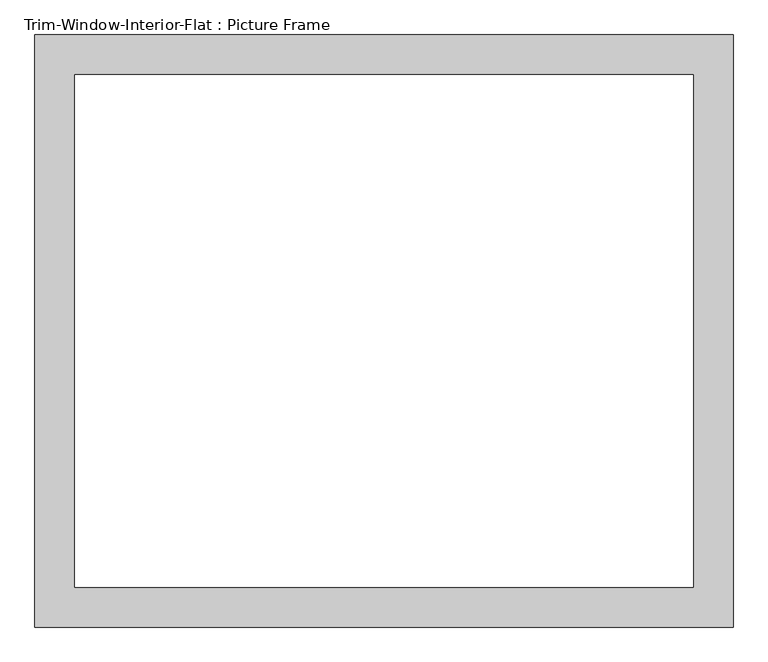
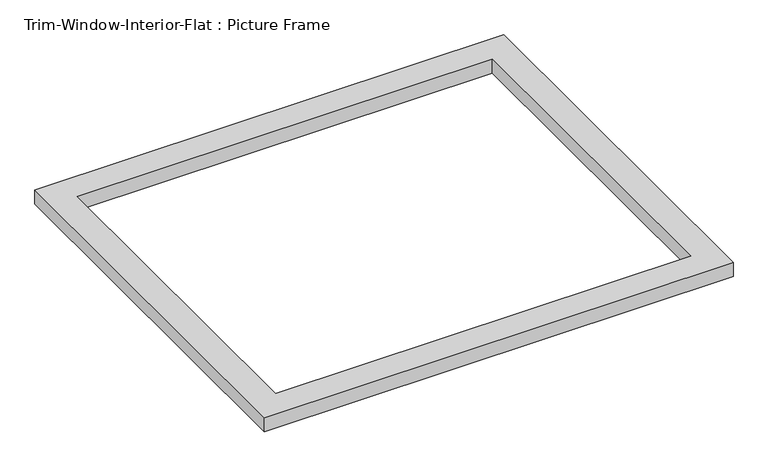
"""IFC4 building model written with IfcOpenShell, lengths in millimetres: proxy geometry, Trim-Window-Interior-Flat : Picture Frame."""

from ifc_helpers import new_model, si_unit, origin, origin_with_axes, place, context, project, spatial, polyline, outline, extrude, source, transform, mapped, element, save


def trim_window_interior_flat_picture_frame_350b9af4(model_context):
    return source(origin(), model_context, "Body", "SweptSolid", [
        extrude(outline(polyline([(501.65, 44.45), (501.65, -806.45), (-501.65, -806.45), (-501.65, 44.45), (501.65, 44.45)]), holes=[polyline([(444.5, -12.7), (-444.5, -12.7), (-444.5, -749.3), (444.5, -749.3), (444.5, -12.7)])]), origin_with_axes(), (0.0, 0.0, 1.0), 31.75),
    ])


if __name__ == "__main__":
    model = new_model("IFC4")
    model_context = context("Model", 3, world=origin())
    ifc_project = project(units=[si_unit("LENGTHUNIT", "METRE", prefix="MILLI")], contexts=[model_context])
    site = spatial("IfcSite", under=ifc_project)
    building = spatial("IfcBuilding", under=site)
    placement = place(None, origin())
    trim_window_interior_flat_picture_frame_shape = trim_window_interior_flat_picture_frame_350b9af4(model_context)
    element("IfcBuildingElementProxy", 1, Name="Trim-Window-Interior-Flat : Picture Frame", ObjectType="Trim-Window-Interior-Flat : Picture Frame", at=placement, inside=building, context=model_context, shape_type="MappedRepresentation", body=[
        mapped(trim_window_interior_flat_picture_frame_shape, transform((0.0, 0.0, 0.0), x_axis=(1.0, 0.0, 0.0), y_axis=(0.0, 1.0, 0.0), z_axis=(0.0, 0.0, 1.0))),
    ])
    save(model, "model.ifc")
